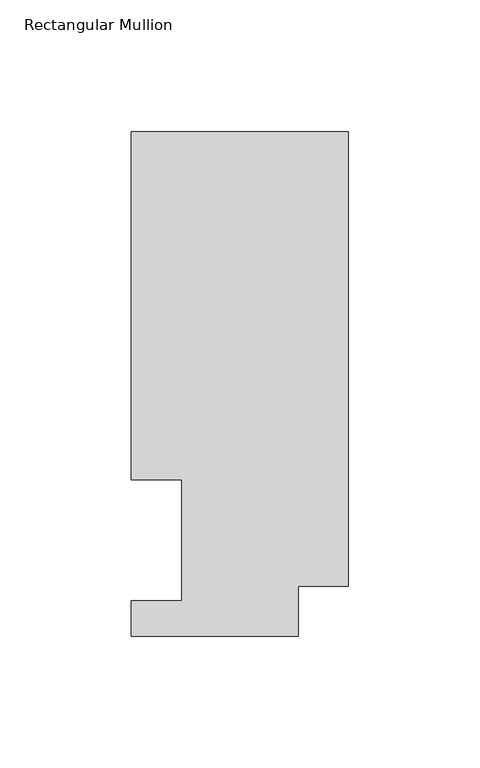
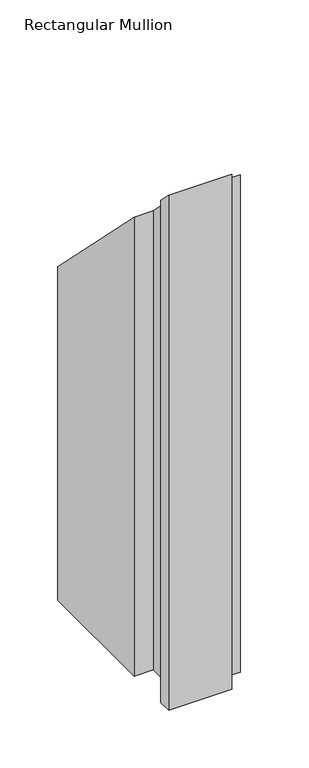
"""IFC4 building model written with IfcOpenShell, lengths in millimetres: member geometry, Rectangular Mullion."""

import ifcopenshell
import ifcopenshell.guid

model = None  # the IFC model being written
_history = None  # IfcOwnerHistory: only IFC2X3 demands one
_inside = {}  # id of a spatial element -> (the spatial element, [elements in it])
_under = {}  # id of a project, library or spatial element -> (it, [spatial elements below it])
_declared = {}  # id of a project -> (the project, [libraries it declares])
_typed = {}  # id of a type object -> (the type object, [elements of that type])
_made_of = {}  # id of a material, layer set ... -> (it, [elements and type objects made of it])


def new_model(schema):
    """Start an empty IFC model of exactly this schema.

    Asked for "IFC4X3", IfcOpenShell would pick the latest addendum, in which some entities
    have other attributes; the version numbers below select the first issue.
    IFC2X3 requires an IfcOwnerHistory on every rooted entity: one is made here for all.
    """
    global model, _history
    if schema == "IFC4X3":
        model = ifcopenshell.file(schema_version=(4, 3, 0, 0))
    else:
        model = ifcopenshell.file(schema=schema)
    _inside.clear()
    _under.clear()
    _declared.clear()
    _typed.clear()
    _made_of.clear()
    _history = None
    if model.schema == "IFC2X3":
        org = make("IfcOrganization", Name="unknown")
        user = make(
            "IfcPersonAndOrganization",
            ThePerson=make("IfcPerson", FamilyName="unknown"),
            TheOrganization=org,
        )
        app = make(
            "IfcApplication",
            ApplicationDeveloper=org,
            Version="unknown",
            ApplicationFullName="unknown",
            ApplicationIdentifier="unknown",
        )
        _history = make(
            "IfcOwnerHistory",
            OwningUser=user,
            OwningApplication=app,
            ChangeAction="ADDED",
            CreationDate=0,
        )
    return model


def make(cls, **values):
    """One entity of the class cls with the attributes given. An attribute that is None is left unset."""
    return model.create_entity(
        cls, **{name: value for name, value in values.items() if value is not None}
    )


def rooted(cls, **values):
    """An entity with a GlobalId (a new one), such as an element, a storey or a relation."""
    return make(cls, GlobalId=ifcopenshell.guid.new(), OwnerHistory=_history, **values)


def si_unit(unit_type, name, prefix=None):
    """IfcSIUnit, for example si_unit("LENGTHUNIT", "METRE", prefix="MILLI")."""
    return make("IfcSIUnit", UnitType=unit_type, Prefix=prefix, Name=name)


def assignment(units):
    """IfcUnitAssignment: the units of a project."""
    return None if units is None else make("IfcUnitAssignment", Units=units)


def point(xyz):
    """IfcCartesianPoint."""
    return None if xyz is None else make("IfcCartesianPoint", Coordinates=xyz)


def direction(xyz):
    """IfcDirection."""
    return None if xyz is None else make("IfcDirection", DirectionRatios=xyz)


def frame(location, z_axis=None, x_axis=None):
    """IfcAxis2Placement3D, a coordinate frame: its origin and axes. An axis left out is left unset."""
    return make(
        "IfcAxis2Placement3D",
        Location=point(location),
        Axis=direction(z_axis),
        RefDirection=direction(x_axis),
    )


def origin():
    """The frame at (0, 0, 0) with its axes left unset."""
    return frame((0.0, 0.0, 0.0))


def place(relative_to, where):
    """IfcLocalPlacement: puts the frame where relative to a parent placement (None: the world)."""
    return make(
        "IfcLocalPlacement", PlacementRelTo=relative_to, RelativePlacement=where
    )


def context(
    kind, dimensions, precision=None, world=None, true_north=None, identifier=None
):
    """IfcGeometricRepresentationContext, for example the 3D "Model" context."""
    return make(
        "IfcGeometricRepresentationContext",
        ContextIdentifier=identifier,
        ContextType=kind,
        CoordinateSpaceDimension=dimensions,
        Precision=precision,
        WorldCoordinateSystem=world,
        TrueNorth=true_north,
    )


def project(units=None, contexts=None):
    """IfcProject with its units and contexts."""
    return rooted(
        "IfcProject",
        Name="project",
        RepresentationContexts=contexts,
        UnitsInContext=assignment(units),
    )


def spatial(cls, under=None, at=None, **own):
    """A site, building, storey or space (cls), placed at a placement, below another one or the project."""
    s = rooted(cls, ObjectPlacement=at, **own)
    if under is not None:
        _under.setdefault(under.id(), (under, []))[1].append(s)
    return s


def faces_of(points, faces, orient=None, outer=None):
    """IfcFace entities. A face is a list of loops; a loop is a list of indices into points, from 0.

    orient and outer hold one flag for each loop. By default every Orientation is true, the
    first loop of a face is its IfcFaceOuterBound and the others are IfcFaceBound.
    """
    made = []
    for i, loops in enumerate(faces):
        bounds = []
        for j, loop in enumerate(loops):
            is_outer = j == 0 if outer is None else outer[i][j]
            bounds.append(
                make(
                    "IfcFaceOuterBound" if is_outer else "IfcFaceBound",
                    Bound=make("IfcPolyLoop", Polygon=[points[k] for k in loop]),
                    Orientation=True if orient is None else orient[i][j],
                )
            )
        made.append(make("IfcFace", Bounds=bounds))
    return made


def faceted_brep(points, faces, orient=None, outer=None, voids=None):
    """IfcFacetedBrep: a solid bounded by flat faces; with voids (closed shells), ...WithVoids."""
    shared = [point(p) for p in points]
    hull = make("IfcClosedShell", CfsFaces=faces_of(shared, faces, orient, outer))
    if voids is None:
        return make("IfcFacetedBrep", Outer=hull)
    return make(
        "IfcFacetedBrepWithVoids",
        Outer=hull,
        Voids=[
            make(cls, CfsFaces=faces_of(shared, fs, o, b)) for cls, fs, o, b in voids
        ],
    )


def shape(context_of_items, identifier, shape_type, items):
    """IfcShapeRepresentation: the items that make up one representation, for example the "Body"."""
    return make(
        "IfcShapeRepresentation",
        ContextOfItems=context_of_items,
        RepresentationIdentifier=identifier,
        RepresentationType=shape_type,
        Items=items,
    )


def source(mapping_origin, context_of_items, identifier, shape_type, items):
    """IfcRepresentationMap: a shape defined once, which mapped items show again and again."""
    return make(
        "IfcRepresentationMap",
        MappingOrigin=mapping_origin,
        MappedRepresentation=shape(context_of_items, identifier, shape_type, items),
    )


def transform(
    local_origin,
    x_axis=None,
    y_axis=None,
    z_axis=None,
    scale=None,
    scale2=None,
    scale3=None,
    uniform=True,
):
    """IfcCartesianTransformationOperator3D, or its non-uniform kind. x_axis, y_axis, z_axis: its Axis1, 2, 3."""
    if uniform:
        return make(
            "IfcCartesianTransformationOperator3D",
            Axis1=direction(x_axis),
            Axis2=direction(y_axis),
            LocalOrigin=point(local_origin),
            Scale=scale,
            Axis3=direction(z_axis),
        )
    return make(
        "IfcCartesianTransformationOperator3DnonUniform",
        Axis1=direction(x_axis),
        Axis2=direction(y_axis),
        LocalOrigin=point(local_origin),
        Scale=scale,
        Axis3=direction(z_axis),
        Scale2=scale2,
        Scale3=scale3,
    )


def mapped(mapping_source, mapping_target):
    """IfcMappedItem: shows the shape of a source again, moved by a transform."""
    return make(
        "IfcMappedItem", MappingSource=mapping_source, MappingTarget=mapping_target
    )


def made_of(thing, what):
    """Note that an element or type object is made of a material, layer set ...; save() writes the relation."""
    if what is not None:
        _made_of.setdefault(what.id(), (what, []))[1].append(thing)
    return thing


def element(
    cls,
    number,
    at=None,
    inside=None,
    cuts=None,
    type_object=None,
    material=None,
    context=None,
    identifier="Body",
    shape_type=None,
    held_by="IfcProductDefinitionShape",
    body=None,
    shapes=None,
    **own,
):
    """One element of the class cls, such as IfcWall. Its Tag is "e" and its number.

    at: its placement. inside: the storey or other place that contains it. cuts: it is an
    opening in that element (IfcRelVoidsElement). A single representation is given by context,
    identifier, shape_type and body (its items); several are given by shapes. held_by: the class
    of the entity that holds the representations. save() writes the other relations.
    """
    e = rooted(cls, Tag="e%d" % number, ObjectPlacement=at, **own)
    if body is not None:
        shapes = [shape(context, identifier, shape_type, body)]
    if shapes is not None:
        e.Representation = make(held_by, Representations=shapes)
    if inside is not None:
        _inside.setdefault(inside.id(), (inside, []))[1].append(e)
    if cuts is not None:
        rooted(
            "IfcRelVoidsElement", RelatingBuildingElement=cuts, RelatedOpeningElement=e
        )
    if type_object is not None:
        _typed.setdefault(type_object.id(), (type_object, []))[1].append(e)
    return made_of(e, material)


def aggregate(whole, parts):
    """IfcRelAggregates: a whole, such as a stair, and the parts it consists of."""
    return rooted("IfcRelAggregates", RelatingObject=whole, RelatedObjects=parts)


def save(model, path):
    """Write the relations noted so far, then the file.

    IfcRelAggregates (storeys below a building ...), IfcRelContainedInSpatialStructure (elements
    in a storey), IfcRelDefinesByType, IfcRelAssociatesMaterial and IfcRelDeclares: one each for
    every whole, place, type object, material and project.
    """
    for whole, parts in _under.values():
        aggregate(whole, parts)
    for where, things in _inside.values():
        rooted(
            "IfcRelContainedInSpatialStructure",
            RelatedElements=things,
            RelatingStructure=where,
        )
    for kind, things in _typed.values():
        rooted("IfcRelDefinesByType", RelatedObjects=things, RelatingType=kind)
    for what, things in _made_of.values():
        rooted("IfcRelAssociatesMaterial", RelatedObjects=things, RelatingMaterial=what)
    for by, libraries in _declared.values():
        rooted("IfcRelDeclares", RelatingContext=by, RelatedDefinitions=libraries)
    model.write(path)


def rectangular_mullion_96f02ca1(model_context):
    return source(origin(), model_context, "Body", "Brep", [
        faceted_brep([(-82.55, 192.09385, -545.0416667), (0.0, 192.09385, -545.0416667), (0.0, 19.06905, -545.0416667), (-19.05, 19.06905, -545.0416667), (-19.05, 0.04445, -545.0416667), (-82.55, 0.04445, -545.0416667), (-82.55, 13.50645, -545.0416667), (-63.5, 13.50645, -545.0416667), (-63.5, 59.53125, -545.0416667), (-82.55, 59.53125, -545.0416667), (-82.55, 59.53125, -59.53125), (-82.55, 192.09385, -192.09385), (-63.5, 59.53125, -59.53125), (-63.5, 13.50645, -13.50645), (-82.55, 13.50645, -13.50645), (-82.55, 0.04445, -0.04445), (-19.05, 0.04445, -0.04445), (-19.05, 19.06905, -19.06905), (0.0, 19.06905, -19.06905), (0.0, 192.09385, -192.09385)], [[[0, 1, 2, 3, 4, 5, 6, 7, 8, 9]], [[10, 11, 0, 9]], [[12, 10, 9, 8]], [[13, 12, 8, 7]], [[14, 13, 7, 6]], [[15, 14, 6, 5]], [[16, 15, 5, 4]], [[17, 16, 4, 3]], [[18, 17, 3, 2]], [[19, 18, 2, 1]], [[11, 19, 1, 0]], [[11, 10, 12, 13, 14, 15, 16, 17, 18, 19]]]),
    ])


if __name__ == "__main__":
    model = new_model("IFC4")
    model_context = context("Model", 3, world=origin())
    ifc_project = project(units=[si_unit("LENGTHUNIT", "METRE", prefix="MILLI")], contexts=[model_context])
    site = spatial("IfcSite", under=ifc_project)
    building = spatial("IfcBuilding", under=site)
    placement = place(None, origin())
    rectangular_mullion_shape = rectangular_mullion_96f02ca1(model_context)
    element("IfcMember", 1, ObjectType="Rectangular Mullion", at=placement, inside=building, context=model_context, shape_type="MappedRepresentation", body=[
        mapped(rectangular_mullion_shape, transform((0.0, 0.0, 0.0), x_axis=(1.0, 0.0, 0.0), y_axis=(0.0, 1.0, 0.0), z_axis=(0.0, 0.0, 1.0))),
    ])
    save(model, "model.ifc")
